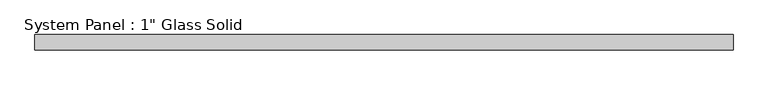
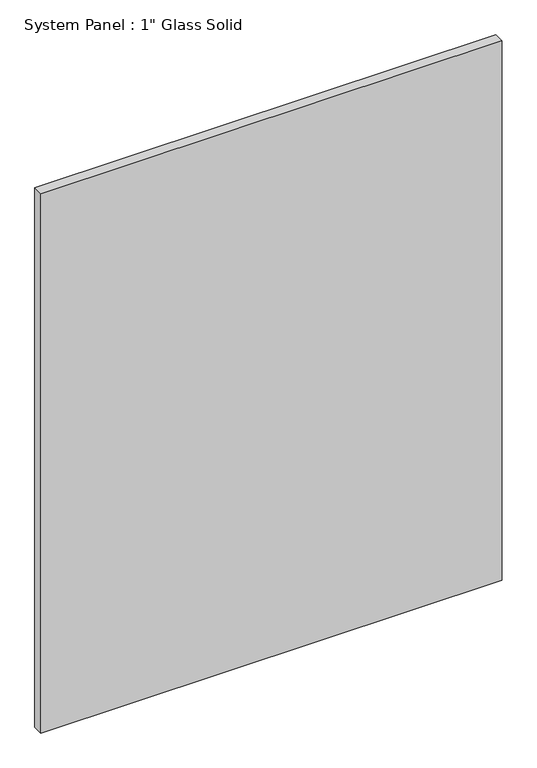
"""IFC4 building model written with IfcOpenShell, lengths in millimetres: plate geometry."""

from ifc_helpers import new_model, si_unit, origin, origin_with_axes, place, context, project, spatial, polyline, outline, extrude, source, transform, mapped, element, save


def plate_6bd5928b(model_context):
    return source(origin(), model_context, "Body", "SweptSolid", [
        extrude(outline(polyline([(577.8508852, -12.7), (-577.8508852, -12.7), (-577.8508852, 12.7), (577.8508852, 12.7), (577.8508852, -12.7)])), origin_with_axes(), (0.0, 0.0, 1.0), 1428.6394027),
    ])


if __name__ == "__main__":
    model = new_model("IFC4")
    model_context = context("Model", 3, world=origin())
    ifc_project = project(units=[si_unit("LENGTHUNIT", "METRE", prefix="MILLI")], contexts=[model_context])
    site = spatial("IfcSite", under=ifc_project)
    building = spatial("IfcBuilding", under=site)
    placement = place(None, origin())
    plate_shape = plate_6bd5928b(model_context)
    element("IfcPlate", 1, ObjectType="System Panel : 1\" Glass Solid", at=placement, inside=building, context=model_context, shape_type="MappedRepresentation", body=[
        mapped(plate_shape, transform((0.0, 0.0, 0.0), x_axis=(1.0, 0.0, 0.0), y_axis=(0.0, 1.0, 0.0), z_axis=(0.0, 0.0, 1.0))),
    ])
    save(model, "model.ifc")
